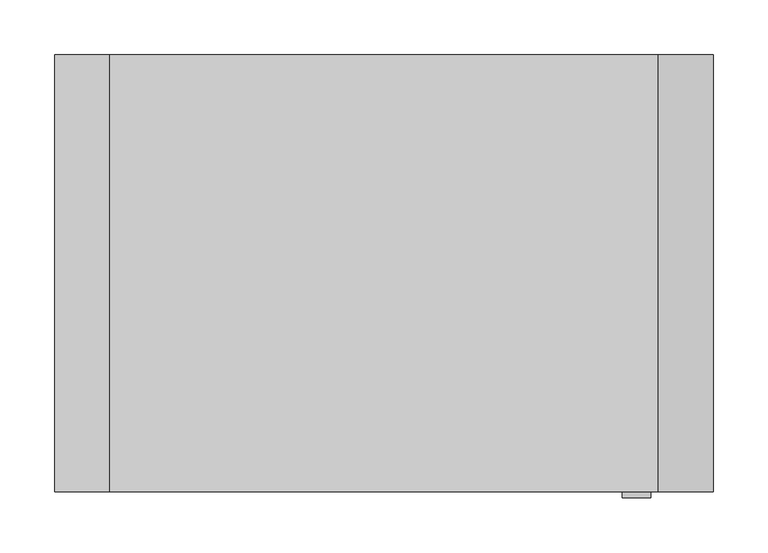
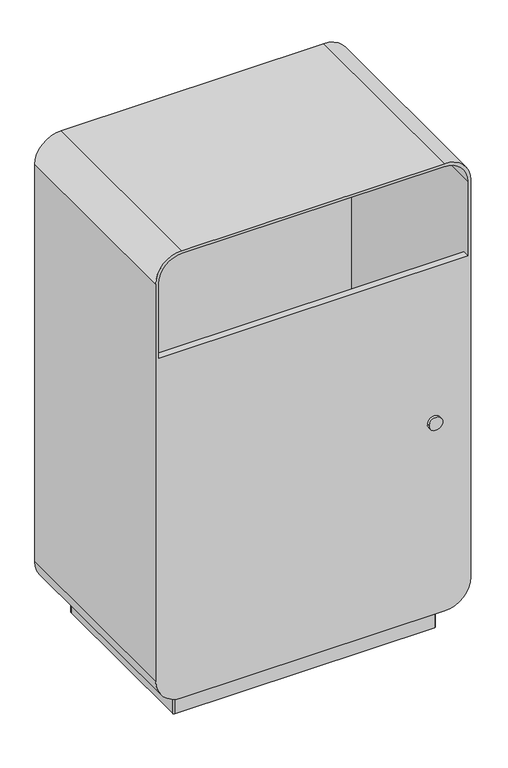
"""IFC4 building model written with IfcOpenShell, lengths in millimetres: furniture geometry."""

import ifcopenshell
import ifcopenshell.guid

model = None  # the IFC model being written
_history = None  # IfcOwnerHistory: only IFC2X3 demands one
_inside = {}  # id of a spatial element -> (the spatial element, [elements in it])
_under = {}  # id of a project, library or spatial element -> (it, [spatial elements below it])
_declared = {}  # id of a project -> (the project, [libraries it declares])
_typed = {}  # id of a type object -> (the type object, [elements of that type])
_made_of = {}  # id of a material, layer set ... -> (it, [elements and type objects made of it])


def new_model(schema):
    """Start an empty IFC model of exactly this schema.

    Asked for "IFC4X3", IfcOpenShell would pick the latest addendum, in which some entities
    have other attributes; the version numbers below select the first issue.
    IFC2X3 requires an IfcOwnerHistory on every rooted entity: one is made here for all.
    """
    global model, _history
    if schema == "IFC4X3":
        model = ifcopenshell.file(schema_version=(4, 3, 0, 0))
    else:
        model = ifcopenshell.file(schema=schema)
    _inside.clear()
    _under.clear()
    _declared.clear()
    _typed.clear()
    _made_of.clear()
    _history = None
    if model.schema == "IFC2X3":
        org = make("IfcOrganization", Name="unknown")
        user = make(
            "IfcPersonAndOrganization",
            ThePerson=make("IfcPerson", FamilyName="unknown"),
            TheOrganization=org,
        )
        app = make(
            "IfcApplication",
            ApplicationDeveloper=org,
            Version="unknown",
            ApplicationFullName="unknown",
            ApplicationIdentifier="unknown",
        )
        _history = make(
            "IfcOwnerHistory",
            OwningUser=user,
            OwningApplication=app,
            ChangeAction="ADDED",
            CreationDate=0,
        )
    return model


def make(cls, **values):
    """One entity of the class cls with the attributes given. An attribute that is None is left unset."""
    return model.create_entity(
        cls, **{name: value for name, value in values.items() if value is not None}
    )


def rooted(cls, **values):
    """An entity with a GlobalId (a new one), such as an element, a storey or a relation."""
    return make(cls, GlobalId=ifcopenshell.guid.new(), OwnerHistory=_history, **values)


def si_unit(unit_type, name, prefix=None):
    """IfcSIUnit, for example si_unit("LENGTHUNIT", "METRE", prefix="MILLI")."""
    return make("IfcSIUnit", UnitType=unit_type, Prefix=prefix, Name=name)


def assignment(units):
    """IfcUnitAssignment: the units of a project."""
    return None if units is None else make("IfcUnitAssignment", Units=units)


def point(xyz):
    """IfcCartesianPoint."""
    return None if xyz is None else make("IfcCartesianPoint", Coordinates=xyz)


def direction(xyz):
    """IfcDirection."""
    return None if xyz is None else make("IfcDirection", DirectionRatios=xyz)


def frame(location, z_axis=None, x_axis=None):
    """IfcAxis2Placement3D, a coordinate frame: its origin and axes. An axis left out is left unset."""
    return make(
        "IfcAxis2Placement3D",
        Location=point(location),
        Axis=direction(z_axis),
        RefDirection=direction(x_axis),
    )


def frame_2d(location, x_axis=None):
    """IfcAxis2Placement2D, a coordinate frame in the plane: its origin and x axis."""
    return make(
        "IfcAxis2Placement2D", Location=point(location), RefDirection=direction(x_axis)
    )


def origin():
    """The frame at (0, 0, 0) with its axes left unset."""
    return frame((0.0, 0.0, 0.0))


def origin_with_axes():
    """The frame at (0, 0, 0) with the z axis (0, 0, 1) and the x axis (1, 0, 0) written out."""
    return frame((0.0, 0.0, 0.0), z_axis=(0.0, 0.0, 1.0), x_axis=(1.0, 0.0, 0.0))


def place(relative_to, where):
    """IfcLocalPlacement: puts the frame where relative to a parent placement (None: the world)."""
    return make(
        "IfcLocalPlacement", PlacementRelTo=relative_to, RelativePlacement=where
    )


def context(
    kind, dimensions, precision=None, world=None, true_north=None, identifier=None
):
    """IfcGeometricRepresentationContext, for example the 3D "Model" context."""
    return make(
        "IfcGeometricRepresentationContext",
        ContextIdentifier=identifier,
        ContextType=kind,
        CoordinateSpaceDimension=dimensions,
        Precision=precision,
        WorldCoordinateSystem=world,
        TrueNorth=true_north,
    )


def project(units=None, contexts=None):
    """IfcProject with its units and contexts."""
    return rooted(
        "IfcProject",
        Name="project",
        RepresentationContexts=contexts,
        UnitsInContext=assignment(units),
    )


def spatial(cls, under=None, at=None, **own):
    """A site, building, storey or space (cls), placed at a placement, below another one or the project."""
    s = rooted(cls, ObjectPlacement=at, **own)
    if under is not None:
        _under.setdefault(under.id(), (under, []))[1].append(s)
    return s


def polyline(points):
    """IfcPolyline through the points."""
    return make("IfcPolyline", Points=[point(p) for p in points])


def circle_curve(where, radius):
    """IfcCircle in the frame where."""
    return make("IfcCircle", Position=where, Radius=radius)


def trimmed(basis, trim1, trim2, sense, master):
    """IfcTrimmedCurve: the piece of a basis curve between two trims."""
    return make(
        "IfcTrimmedCurve",
        BasisCurve=basis,
        Trim1=trim1,
        Trim2=trim2,
        SenseAgreement=sense,
        MasterRepresentation=master,
    )


def segment(curve, same_sense, transition):
    """IfcCompositeCurveSegment."""
    return make(
        "IfcCompositeCurveSegment",
        Transition=transition,
        SameSense=same_sense,
        ParentCurve=curve,
    )


def composite_curve(segments, self_intersect=None):
    """IfcCompositeCurve: segments joined end to end."""
    return make("IfcCompositeCurve", Segments=segments, SelfIntersect=self_intersect)


def outline(outer, holes=None, kind="AREA"):
    """IfcArbitraryClosedProfileDef: a profile drawn as a closed curve; with holes, ...WithVoids."""
    if holes is None:
        return make("IfcArbitraryClosedProfileDef", ProfileType=kind, OuterCurve=outer)
    return make(
        "IfcArbitraryProfileDefWithVoids",
        ProfileType=kind,
        OuterCurve=outer,
        InnerCurves=holes,
    )


def extrude(swept, where, along, depth):
    """IfcExtrudedAreaSolid: the profile swept, set in the frame where, extruded along a direction by depth."""
    return make(
        "IfcExtrudedAreaSolid",
        SweptArea=swept,
        Position=where,
        ExtrudedDirection=direction(along),
        Depth=depth,
    )


def shape(context_of_items, identifier, shape_type, items):
    """IfcShapeRepresentation: the items that make up one representation, for example the "Body"."""
    return make(
        "IfcShapeRepresentation",
        ContextOfItems=context_of_items,
        RepresentationIdentifier=identifier,
        RepresentationType=shape_type,
        Items=items,
    )


def source(mapping_origin, context_of_items, identifier, shape_type, items):
    """IfcRepresentationMap: a shape defined once, which mapped items show again and again."""
    return make(
        "IfcRepresentationMap",
        MappingOrigin=mapping_origin,
        MappedRepresentation=shape(context_of_items, identifier, shape_type, items),
    )


def transform(
    local_origin,
    x_axis=None,
    y_axis=None,
    z_axis=None,
    scale=None,
    scale2=None,
    scale3=None,
    uniform=True,
):
    """IfcCartesianTransformationOperator3D, or its non-uniform kind. x_axis, y_axis, z_axis: its Axis1, 2, 3."""
    if uniform:
        return make(
            "IfcCartesianTransformationOperator3D",
            Axis1=direction(x_axis),
            Axis2=direction(y_axis),
            LocalOrigin=point(local_origin),
            Scale=scale,
            Axis3=direction(z_axis),
        )
    return make(
        "IfcCartesianTransformationOperator3DnonUniform",
        Axis1=direction(x_axis),
        Axis2=direction(y_axis),
        LocalOrigin=point(local_origin),
        Scale=scale,
        Axis3=direction(z_axis),
        Scale2=scale2,
        Scale3=scale3,
    )


def mapped(mapping_source, mapping_target):
    """IfcMappedItem: shows the shape of a source again, moved by a transform."""
    return make(
        "IfcMappedItem", MappingSource=mapping_source, MappingTarget=mapping_target
    )


def made_of(thing, what):
    """Note that an element or type object is made of a material, layer set ...; save() writes the relation."""
    if what is not None:
        _made_of.setdefault(what.id(), (what, []))[1].append(thing)
    return thing


def element(
    cls,
    number,
    at=None,
    inside=None,
    cuts=None,
    type_object=None,
    material=None,
    context=None,
    identifier="Body",
    shape_type=None,
    held_by="IfcProductDefinitionShape",
    body=None,
    shapes=None,
    **own,
):
    """One element of the class cls, such as IfcWall. Its Tag is "e" and its number.

    at: its placement. inside: the storey or other place that contains it. cuts: it is an
    opening in that element (IfcRelVoidsElement). A single representation is given by context,
    identifier, shape_type and body (its items); several are given by shapes. held_by: the class
    of the entity that holds the representations. save() writes the other relations.
    """
    e = rooted(cls, Tag="e%d" % number, ObjectPlacement=at, **own)
    if body is not None:
        shapes = [shape(context, identifier, shape_type, body)]
    if shapes is not None:
        e.Representation = make(held_by, Representations=shapes)
    if inside is not None:
        _inside.setdefault(inside.id(), (inside, []))[1].append(e)
    if cuts is not None:
        rooted(
            "IfcRelVoidsElement", RelatingBuildingElement=cuts, RelatedOpeningElement=e
        )
    if type_object is not None:
        _typed.setdefault(type_object.id(), (type_object, []))[1].append(e)
    return made_of(e, material)


def aggregate(whole, parts):
    """IfcRelAggregates: a whole, such as a stair, and the parts it consists of."""
    return rooted("IfcRelAggregates", RelatingObject=whole, RelatedObjects=parts)


def save(model, path):
    """Write the relations noted so far, then the file.

    IfcRelAggregates (storeys below a building ...), IfcRelContainedInSpatialStructure (elements
    in a storey), IfcRelDefinesByType, IfcRelAssociatesMaterial and IfcRelDeclares: one each for
    every whole, place, type object, material and project.
    """
    for whole, parts in _under.values():
        aggregate(whole, parts)
    for where, things in _inside.values():
        rooted(
            "IfcRelContainedInSpatialStructure",
            RelatedElements=things,
            RelatingStructure=where,
        )
    for kind, things in _typed.values():
        rooted("IfcRelDefinesByType", RelatedObjects=things, RelatingType=kind)
    for what, things in _made_of.values():
        rooted("IfcRelAssociatesMaterial", RelatedObjects=things, RelatingMaterial=what)
    for by, libraries in _declared.values():
        rooted("IfcRelDeclares", RelatingContext=by, RelatedDefinitions=libraries)
    model.write(path)


def plane_surface(at):
    """IfcPlane: the flat surface through the origin of the frame at, square to its z axis."""
    return make("IfcPlane", Position=at)


def cylinder_surface(at, radius):
    """IfcCylindricalSurface: all points at the distance radius from the z axis of the frame at."""
    return make("IfcCylindricalSurface", Position=at, Radius=radius)


def revolved_surface(curve, axis_point, axis_direction):
    """IfcSurfaceOfRevolution: the curve turned about the line through axis_point along axis_direction."""
    return make(
        "IfcSurfaceOfRevolution",
        SweptCurve=make("IfcArbitraryOpenProfileDef", ProfileType="CURVE", Curve=curve),
        AxisPosition=make("IfcAxis1Placement", Location=point(axis_point), Axis=direction(axis_direction)),
    )


def advanced_brep(points, edges, surfaces, faces):
    """IfcAdvancedBrep: a solid bounded by faces that lie on surfaces and meet in shared edges.

    An edge is (start, end): straight between two places in points (the first is 0);
    or (start, end, curve); or (start, end, curve, False) where it runs against its curve.
    A face is (place in surfaces, loops), or (place, loops, False) where it looks against
    its surface's normal. A loop lists edges by number (the first is 1), with a minus sign
    where the edge is run from its end to its start. The first loop is the outer one.
    """
    corners = [point(p) for p in points]
    vertices = [make("IfcVertexPoint", VertexGeometry=c) for c in corners]
    made = []
    for start, end, *more in edges:
        made.append(
            make(
                "IfcEdgeCurve",
                EdgeStart=vertices[start],
                EdgeEnd=vertices[end],
                EdgeGeometry=more[0] if more else make("IfcPolyline", Points=[corners[start], corners[end]]),
                SameSense=more[1] if len(more) > 1 else True,
            )
        )
    hull = []
    for where, loops, *sense in faces:
        bounds = []
        for j, loop in enumerate(loops):
            ring = [make("IfcOrientedEdge", EdgeElement=made[abs(k) - 1], Orientation=k > 0) for k in loop]
            bounds.append(
                make(
                    "IfcFaceOuterBound" if j == 0 else "IfcFaceBound",
                    Bound=make("IfcEdgeLoop", EdgeList=ring),
                    Orientation=True,
                )
            )
        hull.append(make("IfcAdvancedFace", Bounds=bounds, FaceSurface=surfaces[where], SameSense=sense[0] if sense else True))
    return make("IfcAdvancedBrep", Outer=make("IfcClosedShell", CfsFaces=hull))


def furniture_4ade0c57(model_context):
    return source(origin(), model_context, "Body", "SolidModel", [
        advanced_brep(
        [(-300.0, -197.9992599, 100.0), (-250.0, -197.9992599, 50.0), (250.0, -197.9992599, 50.0), (300.0, -197.9992599, 100.0), (300.0, -197.9992599, 900.0), (250.0, -197.9992599, 950.0), (-250.0, -197.9992599, 950.0), (-300.0, -197.9992599, 900.0), (294.0, -197.9992599, 749.0), (-294.0, -197.9992599, 749.0), (-294.0, -197.9992599, 899.0), (-249.0, -197.9992599, 944.0), (249.0, -197.9992599, 944.0), (294.0, -197.9992599, 899.0), (-294.0, -184.9992599, 749.0), (294.0, -184.9992599, 749.0), (294.0, -184.9992599, 101.0), (249.0, -184.9992599, 56.0), (-249.0, -184.9992599, 56.0), (-294.0, -184.9992599, 101.0), (-300.0, 200.0, 100.0), (-300.0, 200.0, 900.0), (-250.0, 200.0, 950.0), (250.0, 200.0, 950.0), (300.0, 200.0, 900.0), (300.0, 200.0, 100.0), (250.0, 200.0, 50.0), (-250.0, 200.0, 50.0), (294.0, 200.0, 899.0), (249.0, 200.0, 944.0), (-249.0, 200.0, 944.0), (-294.0, 200.0, 899.0), (-294.0, 200.0, 749.0), (294.0, 200.0, 749.0), (294.0, 184.9992599, 749.0), (294.0, 184.9992599, 101.0), (249.0, 184.9992599, 56.0), (-249.0, 184.9992599, 56.0), (-294.0, 184.9992599, 101.0), (-294.0, 184.9992599, 749.0)],
        [
            (0, 1, circle_curve(frame((-250.0, -197.9992599, 100.0), z_axis=(0.0, -1.0, 0.0), x_axis=(1.0, 0.0, 0.0)), 50.0)),
            (1, 2),
            (2, 3, circle_curve(frame((250.0, -197.9992599, 100.0), z_axis=(0.0, -1.0, 0.0), x_axis=(1.0, 0.0, 0.0)), 50.0)),
            (3, 4),
            (4, 5, circle_curve(frame((250.0, -197.9992599, 900.0), z_axis=(0.0, -1.0, 0.0), x_axis=(1.0, 0.0, 0.0)), 50.0)),
            (5, 6),
            (6, 7, circle_curve(frame((-250.0, -197.9992599, 900.0), z_axis=(0.0, -1.0, 0.0), x_axis=(1.0, 0.0, 0.0)), 50.0)),
            (7, 0),
            (8, 9),
            (9, 10),
            (10, 11, circle_curve(frame((-249.0, -197.9992599, 899.0), z_axis=(0.0, 1.0, 0.0), x_axis=(1.0, 0.0, 0.0)), 45.0)),
            (11, 12),
            (12, 13, circle_curve(frame((249.0, -197.9992599, 899.0), z_axis=(0.0, 1.0, 0.0), x_axis=(1.0, 0.0, 0.0)), 45.0)),
            (13, 8),
            (14, 15),
            (15, 16),
            (16, 17, circle_curve(frame((249.0, -184.9992599, 101.0), z_axis=(0.0, 1.0, 0.0), x_axis=(1.0, 0.0, 0.0)), 45.0)),
            (17, 18),
            (18, 19, circle_curve(frame((-249.0, -184.9992599, 101.0), z_axis=(0.0, 1.0, 0.0), x_axis=(1.0, 0.0, 0.0)), 45.0)),
            (19, 14),
            (8, 15),
            (14, 9),
            (20, 21),
            (21, 22, circle_curve(frame((-250.0, 200.0, 900.0), z_axis=(0.0, 1.0, 0.0), x_axis=(1.0, 0.0, 0.0)), 50.0)),
            (22, 23),
            (23, 24, circle_curve(frame((250.0, 200.0, 900.0), z_axis=(0.0, 1.0, 0.0), x_axis=(1.0, 0.0, 0.0)), 50.0)),
            (24, 25),
            (25, 26, circle_curve(frame((250.0, 200.0, 100.0), z_axis=(0.0, 1.0, 0.0), x_axis=(1.0, 0.0, 0.0)), 50.0)),
            (26, 27),
            (27, 20, circle_curve(frame((-250.0, 200.0, 100.0), z_axis=(0.0, 1.0, 0.0), x_axis=(1.0, 0.0, 0.0)), 50.0)),
            (28, 29, circle_curve(frame((249.0, 200.0, 899.0), z_axis=(0.0, -1.0, 0.0), x_axis=(1.0, 0.0, 0.0)), 45.0)),
            (29, 30),
            (30, 31, circle_curve(frame((-249.0, 200.0, 899.0), z_axis=(0.0, -1.0, 0.0), x_axis=(1.0, 0.0, 0.0)), 45.0)),
            (31, 32),
            (32, 33),
            (33, 28),
            (10, 31),
            (30, 11),
            (29, 12),
            (28, 13),
            (33, 34),
            (34, 35),
            (35, 16),
            (35, 36, circle_curve(frame((249.0, 184.9992599, 101.0), z_axis=(0.0, 1.0, 0.0), x_axis=(1.0, 0.0, 0.0)), 45.0)),
            (36, 17),
            (36, 37),
            (37, 18),
            (37, 38, circle_curve(frame((-249.0, 184.9992599, 101.0), z_axis=(0.0, 1.0, 0.0), x_axis=(1.0, 0.0, 0.0)), 45.0)),
            (38, 19),
            (38, 39),
            (39, 32),
            (0, 20),
            (27, 1),
            (26, 2),
            (25, 3),
            (24, 4),
            (23, 5),
            (22, 6),
            (21, 7),
            (34, 39),
        ],
        [
            plane_surface(frame((-294.0, -197.9992599, 101.0), z_axis=(0.0, -1.0, 0.0), x_axis=(0.0, 0.0, -1.0))),
            plane_surface(frame((-294.0, -184.9992599, 101.0), z_axis=(0.0, 1.0, 0.0), x_axis=(0.0, 0.0, 1.0))),
            plane_surface(frame((294.0, -197.9992599, 749.0), z_axis=(0.0, 0.0, 1.0), x_axis=(0.0, 1.0, 0.0))),
            plane_surface(frame((-204.0, 200.0, 899.0), z_axis=(0.0, 1.0, 0.0), x_axis=(0.0, 0.0, 1.0))),
            revolved_surface(polyline([(-204.0, 200.0, 899.0), (-204.0, -197.99925989999997, 899.0)]), (-249.0, 200.0, 899.0), (0.0, 1.0, 0.0)),
            plane_surface(frame((-249.0, -197.9992599, 944.0), z_axis=(0.0, 0.0, -1.0), x_axis=(0.0, 1.0, 0.0))),
            revolved_surface(polyline([(294.0, 200.0, 899.0), (294.0, -197.99925989999997, 899.0)]), (249.0, 200.0, 899.0), (0.0, 1.0, 0.0)),
            plane_surface(frame((294.0, -197.9992599, 899.0), z_axis=(-1.0, 0.0, 0.0), x_axis=(0.0, 1.0, 0.0))),
            revolved_surface(polyline([(294.0, 184.9992599, 101.0), (294.0, -184.99925989999997, 101.0)]), (249.0, 200.0, 101.0), (0.0, 1.0, 0.0)),
            plane_surface(frame((249.0, -197.9992599, 56.0), z_axis=(0.0, 0.0, 1.0), x_axis=(0.0, 1.0, 0.0))),
            revolved_surface(polyline([(-204.0, 184.9992599, 101.0), (-204.0, -184.99925989999997, 101.0)]), (-249.0, 200.0, 101.0), (0.0, 1.0, 0.0)),
            plane_surface(frame((-294.0, -197.9992599, 101.0), z_axis=(1.0, 0.0, 0.0), x_axis=(0.0, 1.0, 0.0))),
            cylinder_surface(frame((-250.0, 0.0, 100.0), z_axis=(0.0, -1.0, 0.0), x_axis=(1.0, 0.0, 0.0)), 50.0),
            plane_surface(frame((-250.0, -197.9992599, 50.0), z_axis=(0.0, 0.0, -1.0), x_axis=(0.0, 1.0, 0.0))),
            cylinder_surface(frame((250.0, 0.0, 100.0), z_axis=(0.0, -1.0, 0.0), x_axis=(1.0, 0.0, 0.0)), 50.0),
            plane_surface(frame((300.0, -197.9992599, 100.0), z_axis=(1.0, 0.0, 0.0), x_axis=(0.0, 1.0, 0.0))),
            cylinder_surface(frame((250.0, 0.0, 900.0), z_axis=(0.0, -1.0, 0.0), x_axis=(1.0, 0.0, 0.0)), 50.0),
            plane_surface(frame((250.0, -197.9992599, 950.0), z_axis=(0.0, 0.0, 1.0), x_axis=(0.0, 1.0, 0.0))),
            cylinder_surface(frame((-250.0, 0.0, 900.0), z_axis=(0.0, -1.0, 0.0), x_axis=(1.0, 0.0, 0.0)), 50.0),
            plane_surface(frame((-300.0, -197.9992599, 900.0), z_axis=(-1.0, 0.0, 0.0), x_axis=(0.0, 1.0, 0.0))),
            plane_surface(frame((183.0, 184.9992599, 749.0), z_axis=(0.0, -1.0, 0.0), x_axis=(-1.0, 0.0, 0.0))),
            plane_surface(frame((-294.0, 200.0, 749.0), z_axis=(0.0, 0.0, 1.0), x_axis=(0.0, -1.0, 0.0))),
        ],
        [
            (0, [[1, 2, 3, 4, 5, 6, 7, 8], [9, 10, 11, 12, 13, 14]]),
            (1, [[15, 16, 17, 18, 19, 20]]),
            (2, [[-9, 21, -15, 22]]),
            (3, [[23, 24, 25, 26, 27, 28, 29, 30], [31, 32, 33, 34, 35, 36]]),
            (4, [[-11, 37, -33, 38]]),
            (5, [[-12, -38, -32, 39]]),
            (6, [[-13, -39, -31, 40]]),
            (7, [[-40, -36, 41, 42, 43, -16, -21, -14]]),
            (8, [[-17, -43, 44, 45]]),
            (9, [[-18, -45, 46, 47]]),
            (10, [[-19, -47, 48, 49]]),
            (11, [[-37, -10, -22, -20, -49, 50, 51, -34]]),
            (12, [[-1, 52, -30, 53]]),
            (13, [[-2, -53, -29, 54]]),
            (14, [[-3, -54, -28, 55]]),
            (15, [[-4, -55, -27, 56]]),
            (16, [[-5, -56, -26, 57]]),
            (17, [[-6, -57, -25, 58]]),
            (18, [[-7, -58, -24, 59]]),
            (19, [[-8, -59, -23, -52]]),
            (20, [[60, -50, -48, -46, -44, -42]]),
            (21, [[-35, -51, -60, -41]]),
        ],
    ),
        extrude(outline(composite_curve([segment(polyline([(-250.0, -167.0462242), (-250.0, 167.0)]), True, "CONTINUOUS"), segment(trimmed(circle_curve(frame_2d((-247.0, 167.0)), 3.0), [point((-250.0, 167.0))], [point((-247.0, 170.0))], False, "CARTESIAN"), True, "CONTINUOUS"), segment(polyline([(-247.0, 170.0), (247.0, 170.0)]), True, "CONTINUOUS"), segment(trimmed(circle_curve(frame_2d((247.0, 167.0)), 3.0), [point((247.0, 170.0))], [point((250.0, 167.0))], False, "CARTESIAN"), True, "CONTINUOUS"), segment(polyline([(250.0, 167.0), (250.0, -167.0)]), True, "CONTINUOUS"), segment(trimmed(circle_curve(frame_2d((247.0, -167.0)), 3.0), [point((250.0, -167.0))], [point((247.0, -170.0))], False, "CARTESIAN"), True, "CONTINUOUS"), segment(polyline([(247.0, -170.0), (-247.0462242, -170.0)]), True, "CONTINUOUS"), segment(trimmed(circle_curve(frame_2d((-247.0462242, -167.0462242)), 2.9537758), [point((-247.0462242, -170.0))], [point((-250.0, -167.0462242))], False, "CARTESIAN"), True, "CONTINUOUS")], self_intersect=False)), origin_with_axes(), (0.0, 0.0, 1.0), 50.0),
        extrude(outline(composite_curve([segment(trimmed(circle_curve(frame_2d((436.8806018, 230.0)), 13.0), [point((436.8806018, 217.0))], [point((436.8806018, 243.0))], False, "CARTESIAN"), True, "CONTINUOUS"), segment(trimmed(circle_curve(frame_2d((436.8806018, 230.0)), 13.0), [point((436.8806018, 243.0))], [point((436.8806018, 217.0))], False, "CARTESIAN"), True, "CONTINUOUS")], self_intersect=False)), frame((0.0, -203.7902175, 0.0), z_axis=(0.0, 1.0, 0.0), x_axis=(0.0, 0.0, 1.0)), (0.0, 0.0, 1.0), 18.7909576),
    ])


if __name__ == "__main__":
    model = new_model("IFC4")
    model_context = context("Model", 3, world=origin())
    ifc_project = project(units=[si_unit("LENGTHUNIT", "METRE", prefix="MILLI")], contexts=[model_context])
    site = spatial("IfcSite", under=ifc_project)
    building = spatial("IfcBuilding", under=site)
    placement = place(None, origin())
    furniture_shape = furniture_4ade0c57(model_context)
    element("IfcFurniture", 1, at=placement, inside=building, context=model_context, shape_type="MappedRepresentation", body=[
        mapped(furniture_shape, transform((0.0, 0.0, 0.0), x_axis=(1.0, 0.0, 0.0), y_axis=(0.0, 1.0, 0.0), z_axis=(0.0, 0.0, 1.0))),
    ])
    save(model, "model.ifc")
